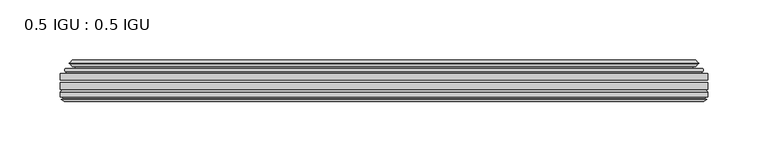
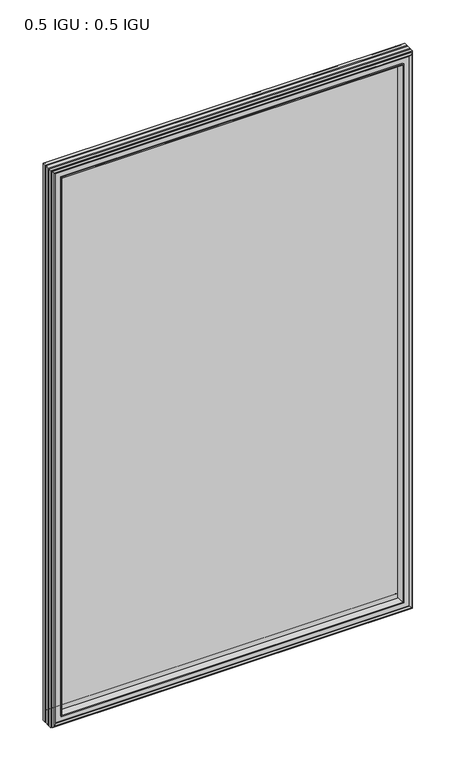
"""IFC4 building model written with IfcOpenShell, lengths in millimetres: plate geometry, 0.5 IGU : 0.5 IGU."""

from ifc_helpers import new_model, si_unit, frame, origin, place, context, project, spatial, polyline, ellipse_curve, outline, extrude, faceted_brep, source, transform, mapped, element, save
from ifc_brep_helpers import plane_surface, cylinder_surface, revolved_surface, advanced_brep


def plate_0_5_igu_0_5_igu_8df6d48a(model_context):
    return source(origin(), model_context, "Body", "SolidModel", [
        extrude(outline(polyline([(268.301675, -55.82285), (268.301675, -61.48705), (-268.2875, -61.48705), (-268.2875, -55.82285), (268.301675, -55.82285)])), frame((0.0, 0.0, -14.2875), z_axis=(0.0, 0.0, 1.0), x_axis=(1.0, 0.0, 0.0)), (0.0, 0.0, 1.0), 873.1287979),
        extrude(outline(polyline([(-268.2875, -69.05625), (-268.2875, -63.39205), (268.301675, -63.39205), (268.301675, -69.05625), (-268.2875, -69.05625)])), frame((0.0, 0.0, -14.2875), z_axis=(0.0, 0.0, 1.0), x_axis=(1.0, 0.0, 0.0)), (0.0, 0.0, 1.0), 873.1287979),
        advanced_brep(
        [(-264.1849626, -54.3724927, 854.7349626), (-263.1404378, -51.60645, 853.6904378), (-263.1404378, -51.60645, -9.1404378), (-264.1849626, -54.3724927, -10.1849626), (-262.548517, -55.82285, 853.098517), (-262.548517, -55.82285, -8.548517), (-254.0, -45.63745, 844.55), (-250.4172761, -55.82285, 840.9672761), (-250.4172761, -55.82285, 3.5827239), (-254.0, -45.63745, 0.0), (-259.1859109, -46.8185491, 849.7359109), (-259.1859109, -46.8185491, -5.1859109), (-258.3888893, -44.8183085, 848.9388893), (-258.3888893, -44.8183085, -4.3888893), (-260.6726111, -47.135817, 851.2226111), (-260.6726111, -47.135817, -6.6726111), (-260.6726111, -47.8489429, 851.2226111), (-260.6726111, -47.8489429, -6.6726111), (-258.3888893, -50.1664515, 848.9388893), (-258.3888893, -50.1664515, -4.3888893), (-259.1782501, -48.1854367, 849.7282501), (-259.1782501, -48.1854367, -5.1782501), (-256.6544379, -48.027045, 847.2044379), (-256.6544379, -48.027045, -2.6544379), (-255.6286217, -48.7147544, 846.1786217), (-255.6286217, -48.7147544, -1.6286217), (-255.7470288, -50.1092231, 846.2970288), (-255.7470288, -50.1092231, -1.7470288), (-256.3487748, -51.60645, 846.8987748), (-256.3487748, -51.60645, -2.3487748), (263.1404378, -51.60645, -9.1404378), (264.1849626, -54.3724927, -10.1849626), (262.548517, -55.82285, -8.548517), (250.4172761, -55.82285, 3.5827239), (254.0, -45.63745, 0.0), (259.1859109, -46.8185491, -5.1859109), (258.3888893, -44.8183085, -4.3888893), (260.6726111, -47.135817, -6.6726111), (260.6726111, -47.8489429, -6.6726111), (258.3888893, -50.1664515, -4.3888893), (259.1782501, -48.1854367, -5.1782501), (256.6544379, -48.027045, -2.6544379), (255.6286217, -48.7147544, -1.6286217), (255.7470288, -50.1092231, -1.7470288), (256.3487748, -51.60645, -2.3487748), (263.1404378, -51.60645, 853.6904378), (264.1849626, -54.3724927, 854.7349626), (262.548517, -55.82285, 853.098517), (250.4172761, -55.82285, 840.9672761), (254.0, -45.63745, 844.55), (259.1859109, -46.8185491, 849.7359109), (258.3888893, -44.8183085, 848.9388893), (260.6726111, -47.135817, 851.2226111), (260.6726111, -47.8489429, 851.2226111), (258.3888893, -50.1664515, 848.9388893), (259.1782501, -48.1854367, 849.7282501), (256.6544379, -48.027045, 847.2044379), (255.6286217, -48.7147544, 846.1786217), (255.7470288, -50.1092231, 846.2970288), (256.3487748, -51.60645, 846.8987748)],
        [
            (0, 1, ellipse_curve(frame((-263.1320703, -53.1898501, 853.6820703), z_axis=(-0.7071067811865475, 0.0, -0.7071067811865475), x_axis=(-0.7071067811865474, 0.0, 0.7071067811865476)), 2.2392971, 1.5834222)),
            (1, 2),
            (2, 3, ellipse_curve(frame((-263.1320703, -53.1898501, -9.1320703), z_axis=(-0.7071067811865475, 0.0, 0.7071067811865475), x_axis=(0.7071067811865474, 0.0, 0.7071067811865476)), 2.2392971, 1.5834222)),
            (3, 0),
            (4, 0),
            (3, 5),
            (5, 4),
            (6, 7, ellipse_curve(frame((-221.720246, -40.0058297, 812.270246), z_axis=(0.7071067811865475, 0.0, 0.7071067811865475), x_axis=(0.7071067811865474, 0.0, -0.7071067811865476)), 46.3399971, 32.7673262)),
            (7, 8),
            (8, 9, ellipse_curve(frame((-221.720246, -40.0058297, 32.279754), z_axis=(0.7071067811865475, 0.0, -0.7071067811865475), x_axis=(-0.7071067811865474, 0.0, -0.7071067811865476)), 46.3399971, 32.7673262)),
            (9, 6),
            (10, 6),
            (9, 11),
            (11, 10),
            (12, 10),
            (11, 13),
            (13, 12),
            (14, 12),
            (13, 15),
            (15, 14),
            (16, 14, ellipse_curve(frame((-260.3107729, -47.49238, 850.8607729), z_axis=(-0.7071067811865475, 0.0, -0.7071067811865475), x_axis=(-0.7071067811865474, 0.0, 0.7071067811865476)), 0.7184205, 0.508)),
            (15, 17, ellipse_curve(frame((-260.3107729, -47.49238, -6.3107729), z_axis=(-0.7071067811865475, 0.0, 0.7071067811865475), x_axis=(0.7071067811865474, 0.0, 0.7071067811865476)), 0.7184205, 0.508)),
            (17, 16),
            (18, 16),
            (17, 19),
            (19, 18),
            (20, 18),
            (19, 21),
            (21, 20),
            (22, 20),
            (21, 23),
            (23, 22),
            (24, 22, ellipse_curve(frame((-256.5908, -49.04105, 847.1408), z_axis=(0.7071067811865475, 0.0, 0.7071067811865475), x_axis=(0.7071067811865474, 0.0, -0.7071067811865476)), 1.436841, 1.016)),
            (23, 25, ellipse_curve(frame((-256.5908, -49.04105, -2.5908), z_axis=(0.7071067811865475, 0.0, -0.7071067811865475), x_axis=(-0.7071067811865474, 0.0, -0.7071067811865476)), 1.436841, 1.016)),
            (25, 24),
            (26, 24, ellipse_curve(frame((-257.9624, -49.21885, 848.5124), z_axis=(0.7071067811865475, 0.0, 0.7071067811865475), x_axis=(0.7071067811865474, 0.0, -0.7071067811865476)), 3.3765763, 2.3876)),
            (25, 27, ellipse_curve(frame((-257.9624, -49.21885, -3.9624), z_axis=(0.7071067811865475, 0.0, -0.7071067811865475), x_axis=(-0.7071067811865474, 0.0, -0.7071067811865476)), 3.3765763, 2.3876)),
            (27, 26),
            (28, 26),
            (27, 29),
            (29, 28),
            (2, 30),
            (30, 31, ellipse_curve(frame((263.1320703, -53.1898501, -9.1320703), z_axis=(-0.7071067811865475, 0.0, -0.7071067811865475), x_axis=(-0.7071067811865476, 0.0, 0.7071067811865474)), 2.2392971, 1.5834222)),
            (31, 3),
            (31, 32),
            (32, 5),
            (8, 33),
            (33, 34, ellipse_curve(frame((221.720246, -40.0058297, 32.279754), z_axis=(0.7071067811865475, 0.0, 0.7071067811865475), x_axis=(0.7071067811865476, 0.0, -0.7071067811865474)), 46.3399971, 32.7673262)),
            (34, 9),
            (34, 35),
            (35, 11),
            (35, 36),
            (36, 13),
            (36, 37),
            (37, 15),
            (37, 38, ellipse_curve(frame((260.3107729, -47.49238, -6.3107729), z_axis=(-0.7071067811865475, 0.0, -0.7071067811865475), x_axis=(-0.7071067811865476, 0.0, 0.7071067811865474)), 0.7184205, 0.508)),
            (38, 17),
            (38, 39),
            (39, 19),
            (39, 40),
            (40, 21),
            (40, 41),
            (41, 23),
            (41, 42, ellipse_curve(frame((256.5908, -49.04105, -2.5908), z_axis=(0.7071067811865475, 0.0, 0.7071067811865475), x_axis=(0.7071067811865476, 0.0, -0.7071067811865474)), 1.436841, 1.016)),
            (42, 25),
            (42, 43, ellipse_curve(frame((257.9624, -49.21885, -3.9624), z_axis=(0.7071067811865475, 0.0, 0.7071067811865475), x_axis=(0.7071067811865476, 0.0, -0.7071067811865474)), 3.3765763, 2.3876)),
            (43, 27),
            (43, 44),
            (44, 29),
            (30, 45),
            (45, 46, ellipse_curve(frame((263.1320703, -53.1898501, 853.6820703), z_axis=(0.7071067811865475, 0.0, -0.7071067811865475), x_axis=(-0.7071067811865474, 0.0, -0.7071067811865476)), 2.2392971, 1.5834222)),
            (46, 31),
            (46, 47),
            (47, 32),
            (33, 48),
            (48, 49, ellipse_curve(frame((221.720246, -40.0058297, 812.270246), z_axis=(-0.7071067811865475, 0.0, 0.7071067811865475), x_axis=(0.7071067811865474, 0.0, 0.7071067811865476)), 46.3399971, 32.7673262)),
            (49, 34),
            (49, 50),
            (50, 35),
            (50, 51),
            (51, 36),
            (51, 52),
            (52, 37),
            (52, 53, ellipse_curve(frame((260.3107729, -47.49238, 850.8607729), z_axis=(0.7071067811865475, 0.0, -0.7071067811865475), x_axis=(-0.7071067811865474, 0.0, -0.7071067811865476)), 0.7184205, 0.508)),
            (53, 38),
            (53, 54),
            (54, 39),
            (54, 55),
            (55, 40),
            (55, 56),
            (56, 41),
            (56, 57, ellipse_curve(frame((256.5908, -49.04105, 847.1408), z_axis=(-0.7071067811865475, 0.0, 0.7071067811865475), x_axis=(0.7071067811865474, 0.0, 0.7071067811865476)), 1.436841, 1.016)),
            (57, 42),
            (57, 58, ellipse_curve(frame((257.9624, -49.21885, 848.5124), z_axis=(-0.7071067811865475, 0.0, 0.7071067811865475), x_axis=(0.7071067811865474, 0.0, 0.7071067811865476)), 3.3765763, 2.3876)),
            (58, 43),
            (58, 59),
            (59, 44),
            (45, 1),
            (0, 46),
            (4, 47),
            (7, 48),
            (6, 49),
            (10, 50),
            (12, 51),
            (14, 52),
            (16, 53),
            (18, 54),
            (20, 55),
            (22, 56),
            (24, 57),
            (26, 58),
            (28, 59),
        ],
        [
            cylinder_surface(frame((-263.1320703, -53.1898501, 876.3), z_axis=(0.0, 0.0, 1.0), x_axis=(-1.0, 0.0, 0.0)), 1.5834222),
            plane_surface(frame((-264.1849626, -54.3724927, 854.7349626), z_axis=(-0.6632745773184306, -0.7483761320907135, 0.0), x_axis=(0.0, 0.0, -1.0))),
            revolved_surface(polyline([(-254.4875722, -40.0058297, -0.48757218957496207), (-254.4875722, -40.0058297, 845.037572189575)]), (-221.720246, -40.0058297, 876.3), (0.0, 0.0, -1.0)),
            plane_surface(frame((-254.0, -45.63745, 844.55), z_axis=(-0.2220649844278743, 0.975031867525902, 0.0), x_axis=(0.0, 0.0, -1.0))),
            plane_surface(frame((-259.1859109, -46.8185491, 849.7359109), z_axis=(0.928968268563027, -0.37015936568323066, 0.0), x_axis=(0.0, 0.0, -1.0))),
            plane_surface(frame((-258.3888893, -44.8183085, 848.9388893), z_axis=(-0.7122798501733482, 0.7018955869907096, 0.0), x_axis=(0.0, 0.0, -1.0))),
            cylinder_surface(frame((-260.3107729, -47.49238, 876.3), z_axis=(0.0, 0.0, 1.0), x_axis=(-1.0, 0.0, 0.0)), 0.508),
            plane_surface(frame((-260.6726111, -47.8489429, 851.2226111), z_axis=(-0.7122798501732925, -0.701895586990766, 0.0), x_axis=(0.0, 0.0, -1.0))),
            plane_surface(frame((-258.3888893, -50.1664515, 848.9388893), z_axis=(0.9289682685628707, 0.3701593656836228, 0.0), x_axis=(0.0, 0.0, -1.0))),
            plane_surface(frame((-259.1782501, -48.1854367, 849.7282501), z_axis=(0.0626357011928498, -0.9980364567169279, 0.0), x_axis=(0.0, 0.0, -1.0))),
            revolved_surface(polyline([(-257.6068, -49.04105, -3.606800014586838), (-257.6068, -49.04105, 848.1568000145869)]), (-256.5908, -49.04105, 876.3), (0.0, 0.0, -1.0)),
            revolved_surface(polyline([(-260.35, -49.21885, -6.3499999989237494), (-260.35, -49.21885, 850.8999999989237)]), (-257.9624, -49.21885, 876.3), (0.0, 0.0, -1.0)),
            plane_surface(frame((-255.7470288, -50.1092231, 846.2970288), z_axis=(-0.9278652925428184, 0.3729155385532094, 0.0), x_axis=(0.0, 0.0, -1.0))),
            cylinder_surface(frame((-285.75, -53.1898501, -9.1320703), z_axis=(-1.0, 0.0, 0.0), x_axis=(0.0, 0.0, -1.0)), 1.5834222),
            plane_surface(frame((-264.1849626, -54.3724927, -10.1849626), z_axis=(0.0, -0.7483761320907157, -0.6632745773184283), x_axis=(1.0, 0.0, 0.0))),
            revolved_surface(polyline([(254.48757218957496, -40.0058297, -0.48757220000000245), (-254.48757218957493, -40.0058297, -0.48757220000000245)]), (-285.75, -40.0058297, 32.279754), (1.0, 0.0, 0.0)),
            plane_surface(frame((-254.0, -45.63745, 0.0), z_axis=(0.0, 0.9750318675259013, -0.22206498442787745), x_axis=(1.0, 0.0, 0.0))),
            plane_surface(frame((-259.1859109, -46.8185491, -5.1859109), z_axis=(0.0, -0.37015936568322766, 0.9289682685630283), x_axis=(1.0, 0.0, 0.0))),
            plane_surface(frame((-258.3888893, -44.8183085, -4.3888893), z_axis=(0.0, 0.7018955869907073, -0.7122798501733504), x_axis=(1.0, 0.0, 0.0))),
            cylinder_surface(frame((-285.75, -47.49238, -6.3107729), z_axis=(-1.0, 0.0, 0.0), x_axis=(0.0, 0.0, -1.0)), 0.508),
            plane_surface(frame((-260.6726111, -47.8489429, -6.6726111), z_axis=(0.0, -0.7018955869907684, -0.7122798501732903), x_axis=(1.0, 0.0, 0.0))),
            plane_surface(frame((-258.3888893, -50.1664515, -4.3888893), z_axis=(0.0, 0.37015936568362584, 0.9289682685628696), x_axis=(1.0, 0.0, 0.0))),
            plane_surface(frame((-259.1782501, -48.1854367, -5.1782501), z_axis=(0.0, -0.9980364567169276, 0.06263570119285301), x_axis=(1.0, 0.0, 0.0))),
            revolved_surface(polyline([(257.60680001458684, -49.04105, -3.6068000000000002), (-257.60680001458684, -49.04105, -3.6068000000000002)]), (-285.75, -49.04105, -2.5908), (1.0, 0.0, 0.0)),
            revolved_surface(polyline([(260.34999999892375, -49.21885, -6.35), (-260.3499999989238, -49.21885, -6.35)]), (-285.75, -49.21885, -3.9624), (1.0, 0.0, 0.0)),
            plane_surface(frame((-255.7470288, -50.1092231, -1.7470288), z_axis=(0.0, 0.3729155385532064, -0.9278652925428196), x_axis=(1.0, 0.0, 0.0))),
            cylinder_surface(frame((263.1320703, -53.1898501, -31.75), z_axis=(0.0, 0.0, -1.0), x_axis=(1.0, 0.0, 0.0)), 1.5834222),
            plane_surface(frame((264.1849626, -54.3724927, -10.1849626), z_axis=(0.6632745773184259, -0.7483761320907178, 0.0), x_axis=(0.0, 0.0, 1.0))),
            revolved_surface(polyline([(254.4875722, -40.0058297, 845.037572189575), (254.4875722, -40.0058297, -0.48757218957494075)]), (221.720246, -40.0058297, -31.75), (0.0, 0.0, 1.0)),
            plane_surface(frame((254.0, -45.63745, 0.0), z_axis=(0.22206498442788056, 0.9750318675259005, 0.0), x_axis=(0.0, 0.0, 1.0))),
            plane_surface(frame((259.1859109, -46.8185491, -5.1859109), z_axis=(-0.9289682685630295, -0.37015936568322466, 0.0), x_axis=(0.0, 0.0, 1.0))),
            plane_surface(frame((258.3888893, -44.8183085, -4.3888893), z_axis=(0.7122798501733526, 0.701895586990705, 0.0), x_axis=(0.0, 0.0, 1.0))),
            cylinder_surface(frame((260.3107729, -47.49238, -31.75), z_axis=(0.0, 0.0, -1.0), x_axis=(1.0, 0.0, 0.0)), 0.508),
            plane_surface(frame((260.6726111, -47.8489429, -6.6726111), z_axis=(0.712279850173288, -0.7018955869907706, 0.0), x_axis=(0.0, 0.0, 1.0))),
            plane_surface(frame((258.3888893, -50.1664515, -4.3888893), z_axis=(-0.9289682685628684, 0.37015936568362884, 0.0), x_axis=(0.0, 0.0, 1.0))),
            plane_surface(frame((259.1782501, -48.1854367, -5.1782501), z_axis=(-0.06263570119285623, -0.9980364567169274, 0.0), x_axis=(0.0, 0.0, 1.0))),
            revolved_surface(polyline([(257.6068, -49.04105, 848.1568000145869), (257.6068, -49.04105, -3.606800014586863)]), (256.5908, -49.04105, -31.75), (0.0, 0.0, 1.0)),
            revolved_surface(polyline([(260.35, -49.21885, 850.8999999989237), (260.35, -49.21885, -6.349999998923781)]), (257.9624, -49.21885, -31.75), (0.0, 0.0, 1.0)),
            plane_surface(frame((255.7470288, -50.1092231, -1.7470288), z_axis=(0.9278652925428208, 0.3729155385532034, 0.0), x_axis=(0.0, 0.0, 1.0))),
            cylinder_surface(frame((285.75, -53.1898501, 853.6820703), z_axis=(1.0, 0.0, 0.0), x_axis=(0.0, 0.0, 1.0)), 1.5834222),
            plane_surface(frame((264.1849626, -54.3724927, 854.7349626), z_axis=(0.0, -0.7483761320907157, 0.6632745773184283), x_axis=(-1.0, 0.0, 0.0))),
            plane_surface(frame((262.548517, -55.82285, 853.098517), z_axis=(0.0, -1.0, 0.0), x_axis=(-1.0, 0.0, 0.0))),
            revolved_surface(polyline([(-254.48757218957496, -40.0058297, 845.0375722), (254.48757218957493, -40.0058297, 845.0375722)]), (285.75, -40.0058297, 812.270246), (-1.0, 0.0, 0.0)),
            plane_surface(frame((254.0, -45.63745, 844.55), z_axis=(0.0, 0.9750318675259012, 0.22206498442787742), x_axis=(-1.0, 0.0, 0.0))),
            plane_surface(frame((259.1859109, -46.8185491, 849.7359109), z_axis=(0.0, -0.37015936568322766, -0.9289682685630283), x_axis=(-1.0, 0.0, 0.0))),
            plane_surface(frame((258.3888893, -44.8183085, 848.9388893), z_axis=(0.0, 0.7018955869907073, 0.7122798501733504), x_axis=(-1.0, 0.0, 0.0))),
            cylinder_surface(frame((285.75, -47.49238, 850.8607729), z_axis=(1.0, 0.0, 0.0), x_axis=(0.0, 0.0, 1.0)), 0.508),
            plane_surface(frame((260.6726111, -47.8489429, 851.2226111), z_axis=(0.0, -0.7018955869907684, 0.7122798501732903), x_axis=(-1.0, 0.0, 0.0))),
            plane_surface(frame((258.3888893, -50.1664515, 848.9388893), z_axis=(0.0, 0.37015936568362584, -0.9289682685628696), x_axis=(-1.0, 0.0, 0.0))),
            plane_surface(frame((259.1782501, -48.1854367, 849.7282501), z_axis=(0.0, -0.9980364567169276, -0.06263570119285301), x_axis=(-1.0, 0.0, 0.0))),
            revolved_surface(polyline([(-257.60680001458684, -49.04105, 848.1568), (257.60680001458684, -49.04105, 848.1568)]), (285.75, -49.04105, 847.1408), (-1.0, 0.0, 0.0)),
            revolved_surface(polyline([(-260.34999999892375, -49.21885, 850.9), (260.3499999989238, -49.21885, 850.9)]), (285.75, -49.21885, 848.5124), (-1.0, 0.0, 0.0)),
            plane_surface(frame((255.7470288, -50.1092231, 846.2970288), z_axis=(0.0, 0.3729155385532064, 0.9278652925428196), x_axis=(-1.0, 0.0, 0.0))),
            plane_surface(frame((256.3487748, -51.60645, 846.8987748), z_axis=(0.0, 1.0, 0.0), x_axis=(-1.0, 0.0, 0.0))),
        ],
        [
            (0, [[1, 2, 3, 4]]),
            (1, [[5, -4, 6, 7]]),
            (2, [[8, 9, 10, 11]]),
            (3, [[12, -11, 13, 14]]),
            (4, [[15, -14, 16, 17]]),
            (5, [[18, -17, 19, 20]]),
            (6, [[21, -20, 22, 23]]),
            (7, [[24, -23, 25, 26]]),
            (8, [[27, -26, 28, 29]]),
            (9, [[30, -29, 31, 32]]),
            (10, [[33, -32, 34, 35]]),
            (11, [[36, -35, 37, 38]]),
            (12, [[39, -38, 40, 41]]),
            (13, [[-3, 42, 43, 44]]),
            (14, [[-6, -44, 45, 46]]),
            (15, [[-10, 47, 48, 49]]),
            (16, [[-13, -49, 50, 51]]),
            (17, [[-16, -51, 52, 53]]),
            (18, [[-19, -53, 54, 55]]),
            (19, [[-22, -55, 56, 57]]),
            (20, [[-25, -57, 58, 59]]),
            (21, [[-28, -59, 60, 61]]),
            (22, [[-31, -61, 62, 63]]),
            (23, [[-34, -63, 64, 65]]),
            (24, [[-37, -65, 66, 67]]),
            (25, [[-40, -67, 68, 69]]),
            (26, [[-43, 70, 71, 72]]),
            (27, [[-45, -72, 73, 74]]),
            (28, [[-48, 75, 76, 77]]),
            (29, [[-50, -77, 78, 79]]),
            (30, [[-52, -79, 80, 81]]),
            (31, [[-54, -81, 82, 83]]),
            (32, [[-56, -83, 84, 85]]),
            (33, [[-58, -85, 86, 87]]),
            (34, [[-60, -87, 88, 89]]),
            (35, [[-62, -89, 90, 91]]),
            (36, [[-64, -91, 92, 93]]),
            (37, [[-66, -93, 94, 95]]),
            (38, [[-68, -95, 96, 97]]),
            (39, [[-71, 98, -1, 99]]),
            (40, [[-73, -99, -5, 100]]),
            (41, [[-46, -74, -100, -7], [101, -75, -47, -9]]),
            (42, [[-76, -101, -8, 102]]),
            (43, [[-78, -102, -12, 103]]),
            (44, [[-80, -103, -15, 104]]),
            (45, [[-82, -104, -18, 105]]),
            (46, [[-84, -105, -21, 106]]),
            (47, [[-86, -106, -24, 107]]),
            (48, [[-88, -107, -27, 108]]),
            (49, [[-90, -108, -30, 109]]),
            (50, [[-92, -109, -33, 110]]),
            (51, [[-94, -110, -36, 111]]),
            (52, [[-96, -111, -39, 112]]),
            (53, [[-98, -70, -42, -2], [-69, -97, -112, -41]]),
        ],
    ),
        faceted_brep([(-250.1457827, -69.05625, 840.6957827), (-252.7120798, -77.94625, 843.2620798), (-252.7120798, -77.94625, 1.2879202), (-250.1457827, -69.05625, 3.8542173), (-268.3002, -71.2633102, 858.8502), (-266.0931398, -69.05625, 856.6431398), (-266.0931398, -69.05625, -12.0931398), (-268.3002, -71.2633102, -14.3002), (-268.3002, -75.40625, 858.8502), (-268.3002, -75.40625, -14.3002), (-265.8811775, -76.58989, 856.4311775), (-266.7508, -75.40625, 857.3008), (-266.7508, -75.40625, -12.7508), (-265.8811775, -76.58989, -11.8811775), (-265.684, -77.8875884, 856.234), (-265.684, -77.8875884, -11.684), (-266.65966, -77.3578917, 857.20966), (-266.65966, -77.3578917, -12.65966), (-265.1252, -79.1749663, 855.6752), (-267.4523305, -77.3578917, 858.0023305), (-267.4523305, -77.3578917, -13.4523305), (-265.1252, -79.1749663, -11.1252), (-262.7980695, -77.3578917, 853.3480695), (-262.7980695, -77.3578917, -8.7980695), (-264.5664, -77.8875884, 855.1164), (-263.59074, -77.3578917, 854.14074), (-263.59074, -77.3578917, -9.59074), (-264.5664, -77.8875884, -10.5664), (-264.3692225, -76.58989, 854.9192225), (-264.3692225, -76.58989, -10.3692225), (-263.4996, -75.40625, 854.0496), (-263.4996, -75.40625, -9.4996), (-254.3513667, -77.94625, 844.9013667), (-253.8222, -75.40625, 844.3722), (-253.8222, -75.40625, 0.1778), (-254.3513667, -77.94625, -0.3513667), (252.7120798, -77.94625, 1.2879202), (250.1457827, -69.05625, 3.8542173), (266.0931398, -69.05625, -12.0931398), (268.3002, -71.2633102, -14.3002), (268.3002, -75.40625, -14.3002), (266.7508, -75.40625, -12.7508), (265.8811775, -76.58989, -11.8811775), (265.684, -77.8875884, -11.684), (266.65966, -77.3578917, -12.65966), (267.4523305, -77.3578917, -13.4523305), (265.1252, -79.1749663, -11.1252), (262.7980695, -77.3578917, -8.7980695), (263.59074, -77.3578917, -9.59074), (264.5664, -77.8875884, -10.5664), (264.3692225, -76.58989, -10.3692225), (263.4996, -75.40625, -9.4996), (253.8222, -75.40625, 0.1778), (254.3513667, -77.94625, -0.3513667), (252.7120798, -77.94625, 843.2620798), (250.1457827, -69.05625, 840.6957827), (266.0931398, -69.05625, 856.6431398), (268.3002, -71.2633102, 858.8502), (268.3002, -75.40625, 858.8502), (266.7508, -75.40625, 857.3008), (265.8811775, -76.58989, 856.4311775), (265.684, -77.8875884, 856.234), (266.65966, -77.3578917, 857.20966), (267.4523305, -77.3578917, 858.0023305), (265.1252, -79.1749663, 855.6752), (262.7980695, -77.3578917, 853.3480695), (263.59074, -77.3578917, 854.14074), (264.5664, -77.8875884, 855.1164), (264.3692225, -76.58989, 854.9192225), (263.4996, -75.40625, 854.0496), (253.8222, -75.40625, 844.3722), (254.3513667, -77.94625, 844.9013667)], [[[0, 1, 2, 3]], [[4, 5, 6, 7]], [[8, 4, 7, 9]], [[10, 11, 12, 13]], [[14, 10, 13, 15]], [[16, 14, 15, 17]], [[18, 19, 20, 21]], [[22, 18, 21, 23]], [[24, 25, 26, 27]], [[28, 24, 27, 29]], [[30, 28, 29, 31]], [[32, 33, 34, 35]], [[3, 2, 36, 37]], [[7, 6, 38, 39]], [[9, 7, 39, 40]], [[13, 12, 41, 42]], [[15, 13, 42, 43]], [[17, 15, 43, 44]], [[21, 20, 45, 46]], [[23, 21, 46, 47]], [[27, 26, 48, 49]], [[29, 27, 49, 50]], [[31, 29, 50, 51]], [[35, 34, 52, 53]], [[37, 36, 54, 55]], [[39, 38, 56, 57]], [[40, 39, 57, 58]], [[42, 41, 59, 60]], [[43, 42, 60, 61]], [[44, 43, 61, 62]], [[46, 45, 63, 64]], [[47, 46, 64, 65]], [[49, 48, 66, 67]], [[50, 49, 67, 68]], [[51, 50, 68, 69]], [[53, 52, 70, 71]], [[55, 54, 1, 0]], [[5, 56, 38, 6], [3, 37, 55, 0]], [[57, 56, 5, 4]], [[58, 57, 4, 8]], [[9, 40, 58, 8], [11, 59, 41, 12]], [[60, 59, 11, 10]], [[61, 60, 10, 14]], [[62, 61, 14, 16]], [[19, 63, 45, 20], [17, 44, 62, 16]], [[64, 63, 19, 18]], [[65, 64, 18, 22]], [[25, 66, 48, 26], [23, 47, 65, 22]], [[67, 66, 25, 24]], [[68, 67, 24, 28]], [[69, 68, 28, 30]], [[31, 51, 69, 30], [33, 70, 52, 34]], [[71, 70, 33, 32]], [[35, 53, 71, 32], [1, 54, 36, 2]]]),
    ])


if __name__ == "__main__":
    model = new_model("IFC4")
    model_context = context("Model", 3, world=origin())
    ifc_project = project(units=[si_unit("LENGTHUNIT", "METRE", prefix="MILLI")], contexts=[model_context])
    site = spatial("IfcSite", under=ifc_project)
    building = spatial("IfcBuilding", under=site)
    placement = place(None, origin())
    plate_0_5_igu_0_5_igu_shape = plate_0_5_igu_0_5_igu_8df6d48a(model_context)
    element("IfcPlate", 1, ObjectType="0.5 IGU : 0.5 IGU", at=placement, inside=building, context=model_context, shape_type="MappedRepresentation", body=[
        mapped(plate_0_5_igu_0_5_igu_shape, transform((0.0, 0.0, 0.0), x_axis=(1.0, 0.0, 0.0), y_axis=(0.0, 1.0, 0.0), z_axis=(0.0, 0.0, 1.0))),
    ])
    save(model, "model.ifc")
